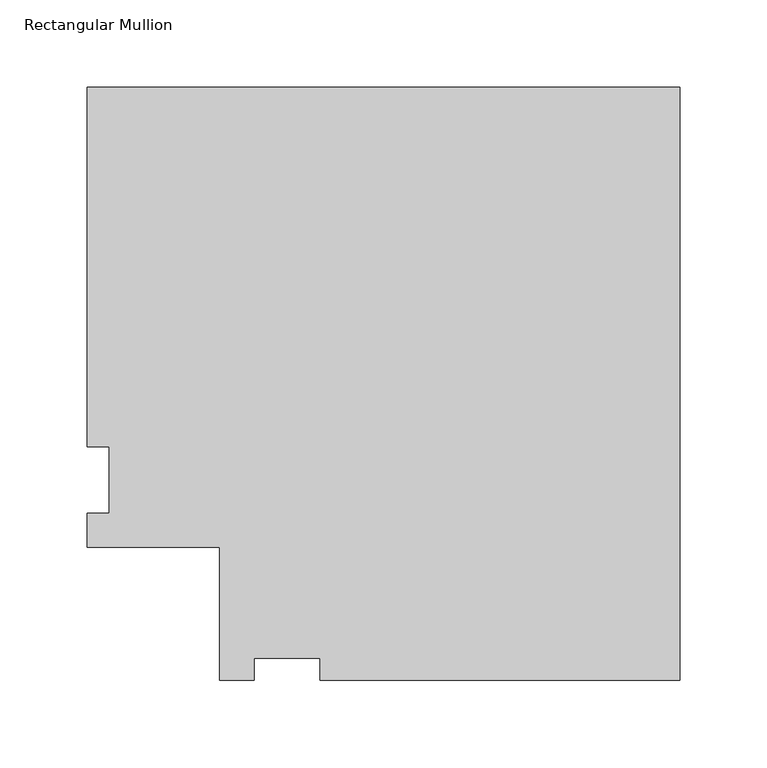
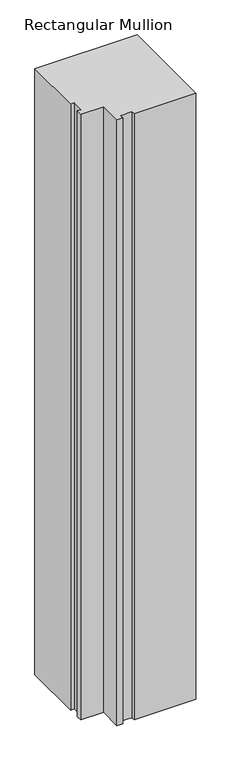
"""IFC4 building model written with IfcOpenShell, lengths in millimetres: member geometry, Rectangular Mullion."""

import ifcopenshell
import ifcopenshell.guid

model = None  # the IFC model being written
_history = None  # IfcOwnerHistory: only IFC2X3 demands one
_inside = {}  # id of a spatial element -> (the spatial element, [elements in it])
_under = {}  # id of a project, library or spatial element -> (it, [spatial elements below it])
_declared = {}  # id of a project -> (the project, [libraries it declares])
_typed = {}  # id of a type object -> (the type object, [elements of that type])
_made_of = {}  # id of a material, layer set ... -> (it, [elements and type objects made of it])


def new_model(schema):
    """Start an empty IFC model of exactly this schema.

    Asked for "IFC4X3", IfcOpenShell would pick the latest addendum, in which some entities
    have other attributes; the version numbers below select the first issue.
    IFC2X3 requires an IfcOwnerHistory on every rooted entity: one is made here for all.
    """
    global model, _history
    if schema == "IFC4X3":
        model = ifcopenshell.file(schema_version=(4, 3, 0, 0))
    else:
        model = ifcopenshell.file(schema=schema)
    _inside.clear()
    _under.clear()
    _declared.clear()
    _typed.clear()
    _made_of.clear()
    _history = None
    if model.schema == "IFC2X3":
        org = make("IfcOrganization", Name="unknown")
        user = make(
            "IfcPersonAndOrganization",
            ThePerson=make("IfcPerson", FamilyName="unknown"),
            TheOrganization=org,
        )
        app = make(
            "IfcApplication",
            ApplicationDeveloper=org,
            Version="unknown",
            ApplicationFullName="unknown",
            ApplicationIdentifier="unknown",
        )
        _history = make(
            "IfcOwnerHistory",
            OwningUser=user,
            OwningApplication=app,
            ChangeAction="ADDED",
            CreationDate=0,
        )
    return model


def make(cls, **values):
    """One entity of the class cls with the attributes given. An attribute that is None is left unset."""
    return model.create_entity(
        cls, **{name: value for name, value in values.items() if value is not None}
    )


def rooted(cls, **values):
    """An entity with a GlobalId (a new one), such as an element, a storey or a relation."""
    return make(cls, GlobalId=ifcopenshell.guid.new(), OwnerHistory=_history, **values)


def si_unit(unit_type, name, prefix=None):
    """IfcSIUnit, for example si_unit("LENGTHUNIT", "METRE", prefix="MILLI")."""
    return make("IfcSIUnit", UnitType=unit_type, Prefix=prefix, Name=name)


def assignment(units):
    """IfcUnitAssignment: the units of a project."""
    return None if units is None else make("IfcUnitAssignment", Units=units)


def point(xyz):
    """IfcCartesianPoint."""
    return None if xyz is None else make("IfcCartesianPoint", Coordinates=xyz)


def direction(xyz):
    """IfcDirection."""
    return None if xyz is None else make("IfcDirection", DirectionRatios=xyz)


def frame(location, z_axis=None, x_axis=None):
    """IfcAxis2Placement3D, a coordinate frame: its origin and axes. An axis left out is left unset."""
    return make(
        "IfcAxis2Placement3D",
        Location=point(location),
        Axis=direction(z_axis),
        RefDirection=direction(x_axis),
    )


def origin():
    """The frame at (0, 0, 0) with its axes left unset."""
    return frame((0.0, 0.0, 0.0))


def place(relative_to, where):
    """IfcLocalPlacement: puts the frame where relative to a parent placement (None: the world)."""
    return make(
        "IfcLocalPlacement", PlacementRelTo=relative_to, RelativePlacement=where
    )


def context(
    kind, dimensions, precision=None, world=None, true_north=None, identifier=None
):
    """IfcGeometricRepresentationContext, for example the 3D "Model" context."""
    return make(
        "IfcGeometricRepresentationContext",
        ContextIdentifier=identifier,
        ContextType=kind,
        CoordinateSpaceDimension=dimensions,
        Precision=precision,
        WorldCoordinateSystem=world,
        TrueNorth=true_north,
    )


def project(units=None, contexts=None):
    """IfcProject with its units and contexts."""
    return rooted(
        "IfcProject",
        Name="project",
        RepresentationContexts=contexts,
        UnitsInContext=assignment(units),
    )


def spatial(cls, under=None, at=None, **own):
    """A site, building, storey or space (cls), placed at a placement, below another one or the project."""
    s = rooted(cls, ObjectPlacement=at, **own)
    if under is not None:
        _under.setdefault(under.id(), (under, []))[1].append(s)
    return s


def polyline(points):
    """IfcPolyline through the points."""
    return make("IfcPolyline", Points=[point(p) for p in points])


def outline(outer, holes=None, kind="AREA"):
    """IfcArbitraryClosedProfileDef: a profile drawn as a closed curve; with holes, ...WithVoids."""
    if holes is None:
        return make("IfcArbitraryClosedProfileDef", ProfileType=kind, OuterCurve=outer)
    return make(
        "IfcArbitraryProfileDefWithVoids",
        ProfileType=kind,
        OuterCurve=outer,
        InnerCurves=holes,
    )


def extrude(swept, where, along, depth):
    """IfcExtrudedAreaSolid: the profile swept, set in the frame where, extruded along a direction by depth."""
    return make(
        "IfcExtrudedAreaSolid",
        SweptArea=swept,
        Position=where,
        ExtrudedDirection=direction(along),
        Depth=depth,
    )


def shape(context_of_items, identifier, shape_type, items):
    """IfcShapeRepresentation: the items that make up one representation, for example the "Body"."""
    return make(
        "IfcShapeRepresentation",
        ContextOfItems=context_of_items,
        RepresentationIdentifier=identifier,
        RepresentationType=shape_type,
        Items=items,
    )


def source(mapping_origin, context_of_items, identifier, shape_type, items):
    """IfcRepresentationMap: a shape defined once, which mapped items show again and again."""
    return make(
        "IfcRepresentationMap",
        MappingOrigin=mapping_origin,
        MappedRepresentation=shape(context_of_items, identifier, shape_type, items),
    )


def transform(
    local_origin,
    x_axis=None,
    y_axis=None,
    z_axis=None,
    scale=None,
    scale2=None,
    scale3=None,
    uniform=True,
):
    """IfcCartesianTransformationOperator3D, or its non-uniform kind. x_axis, y_axis, z_axis: its Axis1, 2, 3."""
    if uniform:
        return make(
            "IfcCartesianTransformationOperator3D",
            Axis1=direction(x_axis),
            Axis2=direction(y_axis),
            LocalOrigin=point(local_origin),
            Scale=scale,
            Axis3=direction(z_axis),
        )
    return make(
        "IfcCartesianTransformationOperator3DnonUniform",
        Axis1=direction(x_axis),
        Axis2=direction(y_axis),
        LocalOrigin=point(local_origin),
        Scale=scale,
        Axis3=direction(z_axis),
        Scale2=scale2,
        Scale3=scale3,
    )


def mapped(mapping_source, mapping_target):
    """IfcMappedItem: shows the shape of a source again, moved by a transform."""
    return make(
        "IfcMappedItem", MappingSource=mapping_source, MappingTarget=mapping_target
    )


def made_of(thing, what):
    """Note that an element or type object is made of a material, layer set ...; save() writes the relation."""
    if what is not None:
        _made_of.setdefault(what.id(), (what, []))[1].append(thing)
    return thing


def element(
    cls,
    number,
    at=None,
    inside=None,
    cuts=None,
    type_object=None,
    material=None,
    context=None,
    identifier="Body",
    shape_type=None,
    held_by="IfcProductDefinitionShape",
    body=None,
    shapes=None,
    **own,
):
    """One element of the class cls, such as IfcWall. Its Tag is "e" and its number.

    at: its placement. inside: the storey or other place that contains it. cuts: it is an
    opening in that element (IfcRelVoidsElement). A single representation is given by context,
    identifier, shape_type and body (its items); several are given by shapes. held_by: the class
    of the entity that holds the representations. save() writes the other relations.
    """
    e = rooted(cls, Tag="e%d" % number, ObjectPlacement=at, **own)
    if body is not None:
        shapes = [shape(context, identifier, shape_type, body)]
    if shapes is not None:
        e.Representation = make(held_by, Representations=shapes)
    if inside is not None:
        _inside.setdefault(inside.id(), (inside, []))[1].append(e)
    if cuts is not None:
        rooted(
            "IfcRelVoidsElement", RelatingBuildingElement=cuts, RelatedOpeningElement=e
        )
    if type_object is not None:
        _typed.setdefault(type_object.id(), (type_object, []))[1].append(e)
    return made_of(e, material)


def aggregate(whole, parts):
    """IfcRelAggregates: a whole, such as a stair, and the parts it consists of."""
    return rooted("IfcRelAggregates", RelatingObject=whole, RelatedObjects=parts)


def save(model, path):
    """Write the relations noted so far, then the file.

    IfcRelAggregates (storeys below a building ...), IfcRelContainedInSpatialStructure (elements
    in a storey), IfcRelDefinesByType, IfcRelAssociatesMaterial and IfcRelDeclares: one each for
    every whole, place, type object, material and project.
    """
    for whole, parts in _under.values():
        aggregate(whole, parts)
    for where, things in _inside.values():
        rooted(
            "IfcRelContainedInSpatialStructure",
            RelatedElements=things,
            RelatingStructure=where,
        )
    for kind, things in _typed.values():
        rooted("IfcRelDefinesByType", RelatedObjects=things, RelatingType=kind)
    for what, things in _made_of.values():
        rooted("IfcRelAssociatesMaterial", RelatedObjects=things, RelatingMaterial=what)
    for by, libraries in _declared.values():
        rooted("IfcRelDeclares", RelatingContext=by, RelatedDefinitions=libraries)
    model.write(path)


def rectangular_mullion_fcc26c9a(model_context):
    return source(origin(), model_context, "Body", "SweptSolid", [
        extrude(outline(polyline([(-340.2076, 264.0210938), (0.0, 264.0210938), (0.0, -76.1865063), (-206.375, -76.1865063), (-206.375, -63.4865062), (-244.475, -63.4865062), (-244.475, -76.1865063), (-264.0076, -76.1865063), (-264.0076, 0.0134938), (-340.2076, 0.0134938), (-340.2076, 19.5460938), (-327.5076, 19.5460938), (-327.5076, 57.6460938), (-340.2076, 57.6460938), (-340.2076, 264.0210938)])), frame((0.0, 0.0, -2133.6), z_axis=(0.0, 0.0, 1.0), x_axis=(1.0, 0.0, 0.0)), (0.0, 0.0, 1.0), 2133.6),
    ])


if __name__ == "__main__":
    model = new_model("IFC4")
    model_context = context("Model", 3, world=origin())
    ifc_project = project(units=[si_unit("LENGTHUNIT", "METRE", prefix="MILLI")], contexts=[model_context])
    site = spatial("IfcSite", under=ifc_project)
    building = spatial("IfcBuilding", under=site)
    placement = place(None, origin())
    rectangular_mullion_shape = rectangular_mullion_fcc26c9a(model_context)
    element("IfcMember", 1, ObjectType="Rectangular Mullion", at=placement, inside=building, context=model_context, shape_type="MappedRepresentation", body=[
        mapped(rectangular_mullion_shape, transform((0.0, 0.0, 0.0), x_axis=(1.0, 0.0, 0.0), y_axis=(0.0, 1.0, 0.0), z_axis=(0.0, 0.0, 1.0))),
    ])
    save(model, "model.ifc")
